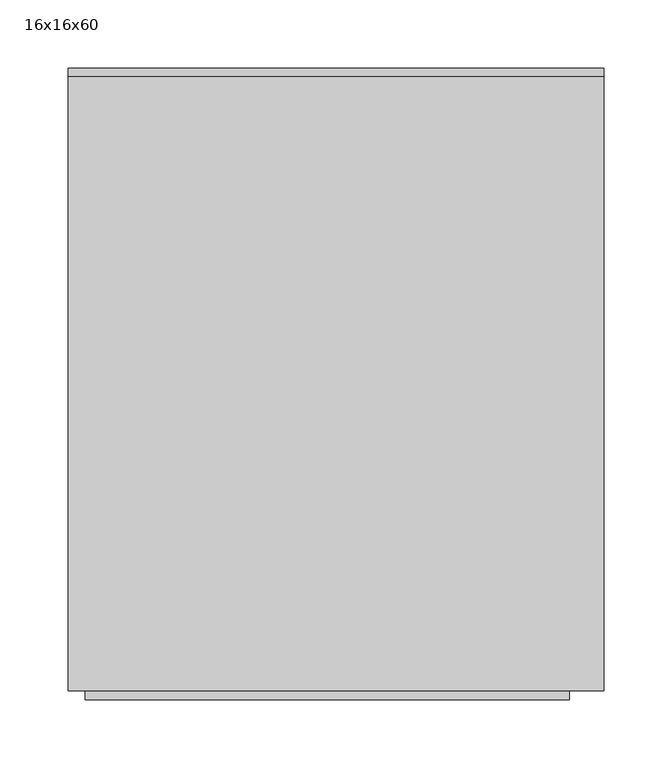
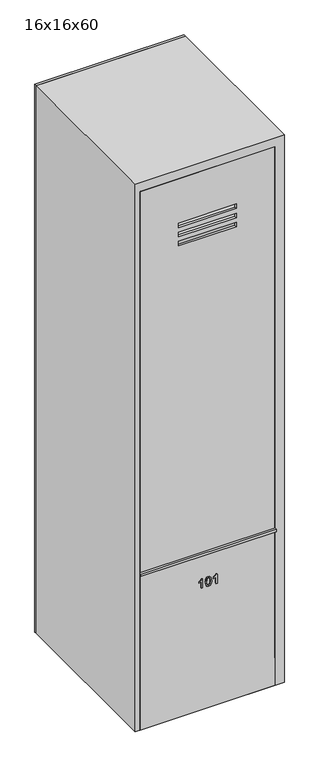
"""IFC4 building model written with IfcOpenShell, lengths in millimetres: furniture geometry, 16x16x60."""

from ifc_helpers import new_model, si_unit, frame, origin, origin_with_axes, place, context, project, spatial, polyline, outline, extrude, source, transform, mapped, element, save


def furniture_16x16x60_f160f558(model_context):
    return source(origin(), model_context, "Body", "SweptSolid", [
        extrude(outline(polyline([(1498.6, 177.8), (1498.6, -177.8), (0.0, -177.8), (0.0, 177.8), (1498.6, 177.8)]), holes=[polyline([(1375.3615171, 76.2), (1362.6615171, 76.2), (1362.6615171, -76.2), (1375.3615171, -76.2), (1375.3615171, 76.2)]), polyline([(1349.9615171, 76.2), (1337.2615171, 76.2), (1337.2615171, -76.2), (1349.9615171, -76.2), (1349.9615171, 76.2)]), polyline([(1324.5615171, 76.2), (1311.8615171, 76.2), (1311.8615171, -76.2), (1324.5615171, -76.2), (1324.5615171, 76.2)])]), frame((0.0, -304.8, 0.0), z_axis=(0.0, 1.0, 0.0), x_axis=(0.0, 0.0, 1.0)), (0.0, 0.0, 1.0), 6.35),
        extrude(outline(polyline([(1524.0, 203.2), (1524.0, -190.5), (0.0, -190.5), (0.0, 203.2), (1524.0, 203.2)]), holes=[polyline([(76.2, -177.8), (1498.6, -177.8), (1498.6, 177.8), (76.2, 177.8), (76.2, -177.8)])]), frame((0.0, -304.8, 0.0), z_axis=(0.0, 1.0, 0.0), x_axis=(0.0, 0.0, 1.0)), (0.0, 0.0, 1.0), 450.85),
        extrude(outline(polyline([(203.2, 146.05), (-190.5, 146.05), (-190.5, 152.4), (203.2, 152.4), (203.2, 146.05)])), origin_with_axes(), (0.0, 0.0, 1.0), 1524.0),
        extrude(outline(polyline([(340.1012595, -13.8620087), (365.1104902, -13.8620087), (365.1104902, -15.8769126), (361.782846, -18.6580905), (358.8581826, -23.2404703), (355.9029902, -23.2404703), (357.4813316, -19.9494607), (359.5908749, -16.9881626), (340.1012595, -16.9881626), (340.1012595, -13.8620087)])), frame((0.0, -307.975, 0.0), z_axis=(0.0, 1.0, 0.0), x_axis=(0.0, 0.0, 1.0)), (0.0, 0.0, 1.0), 3.175),
        extrude(outline(polyline([(352.4043845, -6.4373933), (342.0917402, -3.9462395), (339.7104902, 1.7687605), (341.0812354, 6.3450345), (345.2392643, 9.0651547), (352.4043845, 9.9749143), (358.2811874, 9.4070778), (361.9812835, 7.9416932), (364.3045287, 5.4200105), (365.1104902, 1.7687605), (363.7489037, -2.7891962), (359.6000335, -5.5184751), (352.4043845, -6.4373933)]), holes=[polyline([(352.4104902, -3.3112395), (360.3113556, -1.7970087), (361.9843364, 1.7321259), (360.0854422, 5.432222), (352.4104902, 6.8487605), (344.6531104, 5.3833759), (342.8366441, 1.7687605), (344.6470047, -1.8458549), (352.4104902, -3.3112395)])]), frame((0.0, -307.975, 0.0), z_axis=(0.0, 1.0, 0.0), x_axis=(0.0, 0.0, 1.0)), (0.0, 0.0, 1.0), 3.175),
        extrude(outline(polyline([(340.1012595, 24.4333759), (365.1104902, 24.4333759), (365.1104902, 22.418472), (361.782846, 19.6372942), (358.8581826, 15.0549143), (355.9029902, 15.0549143), (357.4813316, 18.345924), (359.5908749, 21.307222), (340.1012595, 21.307222), (340.1012595, 24.4333759)])), frame((0.0, -307.975, 0.0), z_axis=(0.0, 1.0, 0.0), x_axis=(0.0, 0.0, 1.0)), (0.0, 0.0, 1.0), 3.175),
        extrude(outline(polyline([(177.8, -311.15), (-177.8, -311.15), (-177.8, -279.4), (177.8, -279.4), (177.8, -311.15)])), frame((0.0, 0.0, 431.8), z_axis=(0.0, 0.0, 1.0), x_axis=(1.0, 0.0, 0.0)), (0.0, 0.0, 1.0), 6.35),
        extrude(outline(polyline([(177.8, -279.4), (-177.8, -279.4), (-177.8, -273.05), (177.8, -273.05), (177.8, -279.4)])), frame((0.0, 0.0, 76.2), z_axis=(0.0, 0.0, 1.0), x_axis=(1.0, 0.0, 0.0)), (0.0, 0.0, 1.0), 361.95),
        extrude(outline(polyline([(165.1, -298.45), (-177.8, -298.45), (-177.8, 146.05), (165.1, 146.05), (165.1, -298.45)])), frame((0.0, 0.0, 1320.8), z_axis=(0.0, 0.0, 1.0), x_axis=(1.0, 0.0, 0.0)), (0.0, 0.0, 1.0), 6.35),
        extrude(outline(polyline([(177.8, -298.45), (-177.8, -298.45), (-177.8, 146.05), (177.8, 146.05), (177.8, -298.45)])), frame((0.0, 0.0, 438.15), z_axis=(0.0, 0.0, 1.0), x_axis=(1.0, 0.0, 0.0)), (0.0, 0.0, 1.0), 19.05),
    ])


if __name__ == "__main__":
    model = new_model("IFC4")
    model_context = context("Model", 3, world=origin())
    ifc_project = project(units=[si_unit("LENGTHUNIT", "METRE", prefix="MILLI")], contexts=[model_context])
    site = spatial("IfcSite", under=ifc_project)
    building = spatial("IfcBuilding", under=site)
    placement = place(None, origin())
    furniture_16x16x60_shape = furniture_16x16x60_f160f558(model_context)
    element("IfcFurniture", 1, ObjectType="16x16x60", at=placement, inside=building, context=model_context, shape_type="MappedRepresentation", body=[
        mapped(furniture_16x16x60_shape, transform((0.0, 0.0, 0.0), x_axis=(1.0, 0.0, 0.0), y_axis=(0.0, 1.0, 0.0), z_axis=(0.0, 0.0, 1.0))),
    ])
    save(model, "model.ifc")
